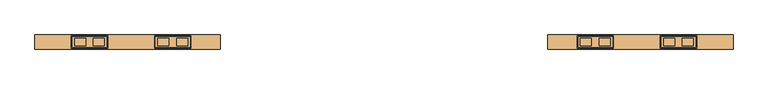
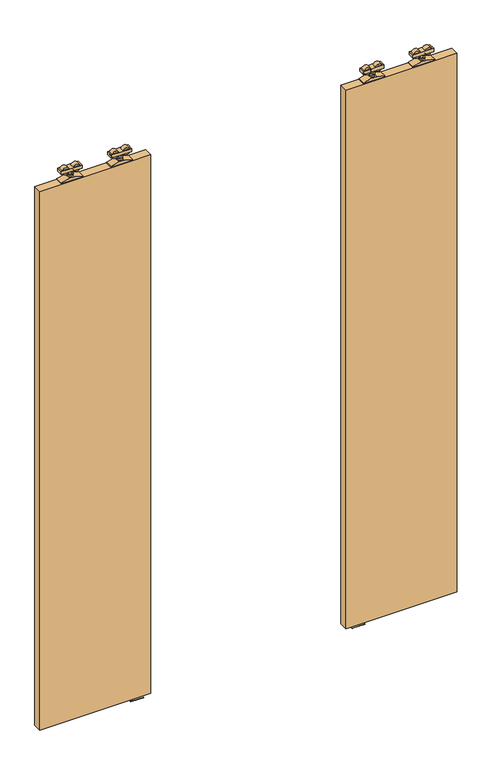
"""IFC4 building model written with IfcOpenShell, lengths in millimetres: door geometry."""

from ifc_helpers import new_model, si_unit, point, frame, frame_2d, origin, place, context, project, spatial, polyline, circle_curve, trimmed, segment, composite_curve, outline, extrude, source, transform, mapped, element, save
from ifc_brep_helpers import plane_surface, cylinder_surface, advanced_brep


def door_14443164(model_context):
    return source(origin(), model_context, "Body", "SolidModel", [
        advanced_brep(
        [(-347.0, 14.2574263, 2689.3), (-347.0, -14.7425737, 2689.3), (-252.0, -14.7425737, 2689.3), (-252.0, 14.2574263, 2689.3), (-289.072332, -10.9457536, 2689.3), (-289.072332, 10.4606061, 2689.3), (-258.78306, 10.4606061, 2689.3), (-258.78306, -10.9457536, 2689.3), (-340.21694, -10.9457536, 2689.3), (-340.21694, 10.4606061, 2689.3), (-309.927668, 10.4606061, 2689.3), (-309.927668, -10.9457536, 2689.3), (-347.0, 14.2574263, 2674.3), (-252.0, 14.2574263, 2674.3), (-252.0, -14.7425737, 2674.3), (-347.0, -14.7425737, 2674.3), (-258.78306, -10.9457536, 2674.3), (-258.78306, 10.4606061, 2674.3), (-289.072332, 10.4606061, 2674.3), (-289.072332, -10.9457536, 2674.3), (-309.927668, -10.9457536, 2674.3), (-309.927668, 10.4606061, 2674.3), (-340.21694, 10.4606061, 2674.3), (-340.21694, -10.9457536, 2674.3), (-294.55, -0.5, 2674.3), (-304.45, -0.5, 2674.3), (-294.55, -0.5, 2655.8), (-304.45, -0.5, 2655.8)],
        [
            (0, 1),
            (1, 2),
            (2, 3),
            (3, 0),
            (4, 5),
            (5, 6),
            (6, 7),
            (7, 4),
            (8, 9),
            (9, 10),
            (10, 11),
            (11, 8),
            (12, 13),
            (13, 14),
            (14, 15),
            (15, 12),
            (16, 17),
            (17, 18),
            (18, 19),
            (19, 16),
            (20, 21),
            (21, 22),
            (22, 23),
            (23, 20),
            (24, 25, circle_curve(frame((-299.5, -0.5, 2674.3), z_axis=(0.0, 0.0, 1.0), x_axis=(-1.0, 0.0, 0.0)), 4.95)),
            (25, 24, circle_curve(frame((-299.5, -0.5, 2674.3), z_axis=(0.0, 0.0, 1.0), x_axis=(-1.0, 0.0, 0.0)), 4.95)),
            (3, 13),
            (12, 0),
            (2, 14),
            (1, 15),
            (7, 4, circle_curve(frame((-273.927696, -10.9457536, 2681.8), z_axis=(0.0, -1.0, 0.0), x_axis=(-1.0, 0.0, 0.0)), 16.9)),
            (19, 16, circle_curve(frame((-273.927696, -10.9457536, 2681.8), z_axis=(0.0, -1.0, 0.0), x_axis=(-1.0, 0.0, 0.0)), 16.9)),
            (5, 6, circle_curve(frame((-273.927696, 10.4606061, 2681.8), z_axis=(0.0, 1.0, 0.0), x_axis=(-1.0, 0.0, 0.0)), 16.9)),
            (17, 18, circle_curve(frame((-273.927696, 10.4606061, 2681.8), z_axis=(0.0, 1.0, 0.0), x_axis=(-1.0, 0.0, 0.0)), 16.9)),
            (11, 8, circle_curve(frame((-325.072304, -10.9457536, 2681.8), z_axis=(0.0, -1.0, 0.0), x_axis=(1.0, 0.0, 0.0)), 16.9)),
            (23, 20, circle_curve(frame((-325.072304, -10.9457536, 2681.8), z_axis=(0.0, -1.0, 0.0), x_axis=(1.0, 0.0, 0.0)), 16.9)),
            (9, 10, circle_curve(frame((-325.072304, 10.4606061, 2681.8), z_axis=(0.0, 1.0, 0.0), x_axis=(1.0, 0.0, 0.0)), 16.9)),
            (21, 22, circle_curve(frame((-325.072304, 10.4606061, 2681.8), z_axis=(0.0, 1.0, 0.0), x_axis=(1.0, 0.0, 0.0)), 16.9)),
            (26, 27, circle_curve(frame((-299.5, -0.5, 2655.8), z_axis=(0.0, 0.0, -1.0), x_axis=(-1.0, 0.0, 0.0)), 4.95)),
            (27, 26, circle_curve(frame((-299.5, -0.5, 2655.8), z_axis=(0.0, 0.0, -1.0), x_axis=(-1.0, 0.0, 0.0)), 4.95)),
            (26, 24),
            (25, 27),
        ],
        [
            plane_surface(frame((-252.0, 14.2574263, 2689.3), z_axis=(0.0, 0.0, 1.0), x_axis=(1.0, 0.0, 0.0))),
            plane_surface(frame((-252.0, 14.2574263, 2674.3), z_axis=(0.0, 0.0, -1.0), x_axis=(-1.0, 0.0, 0.0))),
            plane_surface(frame((-347.0, 14.2574263, 2689.3), z_axis=(0.0, 1.0, 0.0), x_axis=(0.0, 0.0, -1.0))),
            plane_surface(frame((-252.0, 14.2574263, 2689.3), z_axis=(1.0, 0.0, 0.0), x_axis=(0.0, 0.0, -1.0))),
            plane_surface(frame((-252.0, -14.7425737, 2689.3), z_axis=(0.0, -1.0, 0.0), x_axis=(0.0, 0.0, -1.0))),
            plane_surface(frame((-347.0, -14.7425737, 2689.3), z_axis=(-1.0, 0.0, 0.0), x_axis=(0.0, 0.0, -1.0))),
            plane_surface(frame((-290.827696, -10.9457536, 2681.8), z_axis=(0.0, -1.0, 0.0), x_axis=(0.0, 0.0, 1.0))),
            plane_surface(frame((-290.827696, 10.4606061, 2681.8), z_axis=(0.0, 1.0, 0.0), x_axis=(0.0, 0.0, -1.0))),
            cylinder_surface(frame((-273.927696, 10.4606061, 2681.8), z_axis=(0.0, -1.0, 0.0), x_axis=(-1.0, 0.0, 0.0)), 16.9),
            plane_surface(frame((-308.172304, -10.9457536, 2681.8), z_axis=(0.0, -1.0, 0.0), x_axis=(0.0, 0.0, -1.0))),
            plane_surface(frame((-308.172304, 10.4606061, 2681.8), z_axis=(0.0, 1.0, 0.0), x_axis=(0.0, 0.0, 1.0))),
            cylinder_surface(frame((-325.072304, 10.4606061, 2681.8), z_axis=(0.0, -1.0, 0.0), x_axis=(1.0, 0.0, 0.0)), 16.9),
            plane_surface(frame((-304.45, -0.5, 2655.8), z_axis=(0.0, 0.0, -1.0), x_axis=(0.0, -1.0, 0.0))),
            cylinder_surface(frame((-299.5, -0.5, 2655.8), z_axis=(0.0, 0.0, 1.0), x_axis=(-1.0, 0.0, 0.0)), 4.95),
        ],
        [
            (0, [[1, 2, 3, 4], [5, 6, 7, 8], [9, 10, 11, 12]]),
            (1, [[13, 14, 15, 16], [17, 18, 19, 20], [21, 22, 23, 24], [25, 26]]),
            (2, [[27, -13, 28, -4]]),
            (3, [[29, -14, -27, -3]]),
            (4, [[30, -15, -29, -2]]),
            (5, [[-28, -16, -30, -1]]),
            (6, [[-8, 31]]),
            (6, [[-20, 32]]),
            (7, [[-6, 33]]),
            (7, [[-18, 34]]),
            (8, [[-19, -34, -17, -32]]),
            (8, [[-7, -33, -5, -31]]),
            (9, [[-12, 35]]),
            (9, [[-24, 36]]),
            (10, [[-10, 37]]),
            (10, [[-22, 38]]),
            (11, [[-23, -38, -21, -36]]),
            (11, [[-11, -37, -9, -35]]),
            (12, [[39, 40]]),
            (13, [[41, -26, 42, -39]]),
            (13, [[-42, -25, -41, -40]]),
        ],
    ),
        extrude(outline(composite_curve([segment(trimmed(circle_curve(frame_2d((-299.5000356, -0.1875)), 12.254021), [point((-287.2460147, -0.1875))], [point((-311.7540566, -0.1875))], False, "CARTESIAN"), True, "CONTINUOUS"), segment(trimmed(circle_curve(frame_2d((-299.5000356, -0.1875)), 12.254021), [point((-311.7540566, -0.1875))], [point((-287.2460147, -0.1875))], False, "CARTESIAN"), True, "CONTINUOUS")], self_intersect=False)), frame((0.0, 0.0, 2647.0), z_axis=(0.0, 0.0, 1.0), x_axis=(1.0, 0.0, 0.0)), (0.0, 0.0, 1.0), 8.8),
        extrude(outline(polyline([(2633.0, -349.5), (2633.0, -249.5), (2636.8, -249.5), (2647.0, -287.25), (2647.0, -311.75), (2636.8, -349.5), (2633.0, -349.5)])), frame((0.0, -17.7425737, 0.0), z_axis=(0.0, 1.0, 0.0), x_axis=(0.0, 0.0, 1.0)), (0.0, 0.0, 1.0), 35.0),
        advanced_brep(
        [(-1414.0, 14.2574263, 2689.3), (-1509.0, 14.2574263, 2689.3), (-1509.0, -14.7425737, 2689.3), (-1414.0, -14.7425737, 2689.3), (-1471.927668, -10.9457536, 2689.3), (-1502.21694, -10.9457536, 2689.3), (-1502.21694, 10.4606061, 2689.3), (-1471.927668, 10.4606061, 2689.3), (-1420.78306, -10.9457536, 2689.3), (-1451.072332, -10.9457536, 2689.3), (-1451.072332, 10.4606061, 2689.3), (-1420.78306, 10.4606061, 2689.3), (-1414.0, 14.2574263, 2674.3), (-1414.0, -14.7425737, 2674.3), (-1509.0, -14.7425737, 2674.3), (-1509.0, 14.2574263, 2674.3), (-1502.21694, -10.9457536, 2674.3), (-1471.927668, -10.9457536, 2674.3), (-1471.927668, 10.4606061, 2674.3), (-1502.21694, 10.4606061, 2674.3), (-1451.072332, -10.9457536, 2674.3), (-1420.78306, -10.9457536, 2674.3), (-1420.78306, 10.4606061, 2674.3), (-1451.072332, 10.4606061, 2674.3), (-1466.45, -0.5, 2674.3), (-1456.55, -0.5, 2674.3), (-1466.45, -0.5, 2655.8), (-1456.55, -0.5, 2655.8)],
        [
            (0, 1),
            (1, 2),
            (2, 3),
            (3, 0),
            (4, 5),
            (5, 6),
            (6, 7),
            (7, 4),
            (8, 9),
            (9, 10),
            (10, 11),
            (11, 8),
            (12, 13),
            (13, 14),
            (14, 15),
            (15, 12),
            (16, 17),
            (17, 18),
            (18, 19),
            (19, 16),
            (20, 21),
            (21, 22),
            (22, 23),
            (23, 20),
            (24, 25, circle_curve(frame((-1461.5, -0.5, 2674.3), z_axis=(0.0, 0.0, 1.0), x_axis=(1.0, 0.0, 0.0)), 4.95)),
            (25, 24, circle_curve(frame((-1461.5, -0.5, 2674.3), z_axis=(0.0, 0.0, 1.0), x_axis=(1.0, 0.0, 0.0)), 4.95)),
            (0, 12),
            (15, 1),
            (14, 2),
            (13, 3),
            (16, 17, circle_curve(frame((-1487.072304, -10.9457536, 2681.8), z_axis=(0.0, -1.0, 0.0), x_axis=(1.0, 0.0, 0.0)), 16.9)),
            (4, 5, circle_curve(frame((-1487.072304, -10.9457536, 2681.8), z_axis=(0.0, -1.0, 0.0), x_axis=(1.0, 0.0, 0.0)), 16.9)),
            (6, 7, circle_curve(frame((-1487.072304, 10.4606061, 2681.8), z_axis=(0.0, 1.0, 0.0), x_axis=(1.0, 0.0, 0.0)), 16.9)),
            (18, 19, circle_curve(frame((-1487.072304, 10.4606061, 2681.8), z_axis=(0.0, 1.0, 0.0), x_axis=(1.0, 0.0, 0.0)), 16.9)),
            (8, 9, circle_curve(frame((-1435.927696, -10.9457536, 2681.8), z_axis=(0.0, -1.0, 0.0), x_axis=(-1.0, 0.0, 0.0)), 16.9)),
            (20, 21, circle_curve(frame((-1435.927696, -10.9457536, 2681.8), z_axis=(0.0, -1.0, 0.0), x_axis=(-1.0, 0.0, 0.0)), 16.9)),
            (22, 23, circle_curve(frame((-1435.927696, 10.4606061, 2681.8), z_axis=(0.0, 1.0, 0.0), x_axis=(-1.0, 0.0, 0.0)), 16.9)),
            (10, 11, circle_curve(frame((-1435.927696, 10.4606061, 2681.8), z_axis=(0.0, 1.0, 0.0), x_axis=(-1.0, 0.0, 0.0)), 16.9)),
            (26, 27, circle_curve(frame((-1461.5, -0.5, 2655.8), z_axis=(0.0, 0.0, -1.0), x_axis=(1.0, 0.0, 0.0)), 4.95)),
            (27, 26, circle_curve(frame((-1461.5, -0.5, 2655.8), z_axis=(0.0, 0.0, -1.0), x_axis=(1.0, 0.0, 0.0)), 4.95)),
            (27, 25),
            (24, 26),
        ],
        [
            plane_surface(frame((-1509.0, 14.2574263, 2689.3), z_axis=(0.0, 0.0, 1.0), x_axis=(-1.0, 0.0, 0.0))),
            plane_surface(frame((-1509.0, 14.2574263, 2674.3), z_axis=(0.0, 0.0, -1.0), x_axis=(1.0, 0.0, 0.0))),
            plane_surface(frame((-1414.0, 14.2574263, 2689.3), z_axis=(0.0, 1.0, 0.0), x_axis=(0.0, 0.0, -1.0))),
            plane_surface(frame((-1509.0, 14.2574263, 2689.3), z_axis=(-1.0, 0.0, 0.0), x_axis=(0.0, 0.0, -1.0))),
            plane_surface(frame((-1509.0, -14.7425737, 2689.3), z_axis=(0.0, -1.0, 0.0), x_axis=(0.0, 0.0, -1.0))),
            plane_surface(frame((-1414.0, -14.7425737, 2689.3), z_axis=(1.0, 0.0, 0.0), x_axis=(0.0, 0.0, -1.0))),
            plane_surface(frame((-1470.172304, -10.9457536, 2681.8), z_axis=(0.0, -1.0, 0.0), x_axis=(0.0, 0.0, 1.0))),
            plane_surface(frame((-1470.172304, 10.4606061, 2681.8), z_axis=(0.0, 1.0, 0.0), x_axis=(0.0, 0.0, -1.0))),
            cylinder_surface(frame((-1487.072304, 10.4606061, 2681.8), z_axis=(0.0, -1.0, 0.0), x_axis=(1.0, 0.0, 0.0)), 16.9),
            plane_surface(frame((-1452.827696, -10.9457536, 2681.8), z_axis=(0.0, -1.0, 0.0), x_axis=(0.0, 0.0, -1.0))),
            plane_surface(frame((-1452.827696, 10.4606061, 2681.8), z_axis=(0.0, 1.0, 0.0), x_axis=(0.0, 0.0, 1.0))),
            cylinder_surface(frame((-1435.927696, 10.4606061, 2681.8), z_axis=(0.0, -1.0, 0.0), x_axis=(-1.0, 0.0, 0.0)), 16.9),
            plane_surface(frame((-1456.55, -0.5, 2655.8), z_axis=(0.0, 0.0, -1.0), x_axis=(0.0, -1.0, 0.0))),
            cylinder_surface(frame((-1461.5, -0.5, 2655.8), z_axis=(0.0, 0.0, 1.0), x_axis=(1.0, 0.0, 0.0)), 4.95),
        ],
        [
            (0, [[1, 2, 3, 4], [5, 6, 7, 8], [9, 10, 11, 12]]),
            (1, [[13, 14, 15, 16], [17, 18, 19, 20], [21, 22, 23, 24], [25, 26]]),
            (2, [[-1, 27, -16, 28]]),
            (3, [[-2, -28, -15, 29]]),
            (4, [[-3, -29, -14, 30]]),
            (5, [[-4, -30, -13, -27]]),
            (6, [[31, -17]]),
            (6, [[32, -5]]),
            (7, [[33, -7]]),
            (7, [[34, -19]]),
            (8, [[-31, -20, -34, -18]]),
            (8, [[-32, -8, -33, -6]]),
            (9, [[35, -9]]),
            (9, [[36, -21]]),
            (10, [[37, -23]]),
            (10, [[38, -11]]),
            (11, [[-36, -24, -37, -22]]),
            (11, [[-35, -12, -38, -10]]),
            (12, [[39, 40]]),
            (13, [[-40, 41, -25, 42]]),
            (13, [[-39, -42, -26, -41]]),
        ],
    ),
        extrude(outline(composite_curve([segment(trimmed(circle_curve(frame_2d((-1461.4999644, -0.1875)), 12.254021), [point((-1473.7539853, -0.1875))], [point((-1449.2459434, -0.1875))], False, "CARTESIAN"), True, "CONTINUOUS"), segment(trimmed(circle_curve(frame_2d((-1461.4999644, -0.1875)), 12.254021), [point((-1449.2459434, -0.1875))], [point((-1473.7539853, -0.1875))], False, "CARTESIAN"), True, "CONTINUOUS")], self_intersect=False)), frame((0.0, 0.0, 2647.0), z_axis=(0.0, 0.0, 1.0), x_axis=(1.0, 0.0, 0.0)), (0.0, 0.0, 1.0), 8.8),
        extrude(outline(polyline([(2633.0, -1411.5), (2636.8, -1411.5), (2647.0, -1449.25), (2647.0, -1473.75), (2636.8, -1511.5), (2633.0, -1511.5), (2633.0, -1411.5)])), frame((0.0, -17.7425737, 0.0), z_axis=(0.0, 1.0, 0.0), x_axis=(0.0, 0.0, 1.0)), (0.0, 0.0, 1.0), 35.0),
        advanced_brep(
        [(-118.0, 14.2574263, 2689.3), (-118.0, -14.7425737, 2689.3), (-23.0, -14.7425737, 2689.3), (-23.0, 14.2574263, 2689.3), (-60.072332, -10.9457536, 2689.3), (-60.072332, 10.4606061, 2689.3), (-29.78306, 10.4606061, 2689.3), (-29.78306, -10.9457536, 2689.3), (-111.21694, -10.9457536, 2689.3), (-111.21694, 10.4606061, 2689.3), (-80.927668, 10.4606061, 2689.3), (-80.927668, -10.9457536, 2689.3), (-118.0, 14.2574263, 2674.3), (-23.0, 14.2574263, 2674.3), (-23.0, -14.7425737, 2674.3), (-118.0, -14.7425737, 2674.3), (-29.78306, -10.9457536, 2674.3), (-29.78306, 10.4606061, 2674.3), (-60.072332, 10.4606061, 2674.3), (-60.072332, -10.9457536, 2674.3), (-80.927668, -10.9457536, 2674.3), (-80.927668, 10.4606061, 2674.3), (-111.21694, 10.4606061, 2674.3), (-111.21694, -10.9457536, 2674.3), (-65.55, -0.5, 2674.3), (-75.45, -0.5, 2674.3), (-65.55, -0.5, 2655.8), (-75.45, -0.5, 2655.8)],
        [
            (0, 1),
            (1, 2),
            (2, 3),
            (3, 0),
            (4, 5),
            (5, 6),
            (6, 7),
            (7, 4),
            (8, 9),
            (9, 10),
            (10, 11),
            (11, 8),
            (12, 13),
            (13, 14),
            (14, 15),
            (15, 12),
            (16, 17),
            (17, 18),
            (18, 19),
            (19, 16),
            (20, 21),
            (21, 22),
            (22, 23),
            (23, 20),
            (24, 25, circle_curve(frame((-70.5, -0.5, 2674.3), z_axis=(0.0, 0.0, 1.0), x_axis=(-1.0, 0.0, 0.0)), 4.95)),
            (25, 24, circle_curve(frame((-70.5, -0.5, 2674.3), z_axis=(0.0, 0.0, 1.0), x_axis=(-1.0, 0.0, 0.0)), 4.95)),
            (3, 13),
            (12, 0),
            (2, 14),
            (1, 15),
            (7, 4, circle_curve(frame((-44.927696, -10.9457536, 2681.8), z_axis=(0.0, -1.0, 0.0), x_axis=(-1.0, 0.0, 0.0)), 16.9)),
            (19, 16, circle_curve(frame((-44.927696, -10.9457536, 2681.8), z_axis=(0.0, -1.0, 0.0), x_axis=(-1.0, 0.0, 0.0)), 16.9)),
            (5, 6, circle_curve(frame((-44.927696, 10.4606061, 2681.8), z_axis=(0.0, 1.0, 0.0), x_axis=(-1.0, 0.0, 0.0)), 16.9)),
            (17, 18, circle_curve(frame((-44.927696, 10.4606061, 2681.8), z_axis=(0.0, 1.0, 0.0), x_axis=(-1.0, 0.0, 0.0)), 16.9)),
            (11, 8, circle_curve(frame((-96.072304, -10.9457536, 2681.8), z_axis=(0.0, -1.0, 0.0), x_axis=(1.0, 0.0, 0.0)), 16.9)),
            (23, 20, circle_curve(frame((-96.072304, -10.9457536, 2681.8), z_axis=(0.0, -1.0, 0.0), x_axis=(1.0, 0.0, 0.0)), 16.9)),
            (9, 10, circle_curve(frame((-96.072304, 10.4606061, 2681.8), z_axis=(0.0, 1.0, 0.0), x_axis=(1.0, 0.0, 0.0)), 16.9)),
            (21, 22, circle_curve(frame((-96.072304, 10.4606061, 2681.8), z_axis=(0.0, 1.0, 0.0), x_axis=(1.0, 0.0, 0.0)), 16.9)),
            (26, 27, circle_curve(frame((-70.5, -0.5, 2655.8), z_axis=(0.0, 0.0, -1.0), x_axis=(-1.0, 0.0, 0.0)), 4.95)),
            (27, 26, circle_curve(frame((-70.5, -0.5, 2655.8), z_axis=(0.0, 0.0, -1.0), x_axis=(-1.0, 0.0, 0.0)), 4.95)),
            (26, 24),
            (25, 27),
        ],
        [
            plane_surface(frame((-23.0, 14.2574263, 2689.3), z_axis=(0.0, 0.0, 1.0), x_axis=(1.0, 0.0, 0.0))),
            plane_surface(frame((-23.0, 14.2574263, 2674.3), z_axis=(0.0, 0.0, -1.0), x_axis=(-1.0, 0.0, 0.0))),
            plane_surface(frame((-118.0, 14.2574263, 2689.3), z_axis=(0.0, 1.0, 0.0), x_axis=(0.0, 0.0, -1.0))),
            plane_surface(frame((-23.0, 14.2574263, 2689.3), z_axis=(1.0, 0.0, 0.0), x_axis=(0.0, 0.0, -1.0))),
            plane_surface(frame((-23.0, -14.7425737, 2689.3), z_axis=(0.0, -1.0, 0.0), x_axis=(0.0, 0.0, -1.0))),
            plane_surface(frame((-118.0, -14.7425737, 2689.3), z_axis=(-1.0, 0.0, 0.0), x_axis=(0.0, 0.0, -1.0))),
            plane_surface(frame((-61.827696, -10.9457536, 2681.8), z_axis=(0.0, -1.0, 0.0), x_axis=(0.0, 0.0, 1.0))),
            plane_surface(frame((-61.827696, 10.4606061, 2681.8), z_axis=(0.0, 1.0, 0.0), x_axis=(0.0, 0.0, -1.0))),
            cylinder_surface(frame((-44.927696, 10.4606061, 2681.8), z_axis=(0.0, -1.0, 0.0), x_axis=(-1.0, 0.0, 0.0)), 16.9),
            plane_surface(frame((-79.172304, -10.9457536, 2681.8), z_axis=(0.0, -1.0, 0.0), x_axis=(0.0, 0.0, -1.0))),
            plane_surface(frame((-79.172304, 10.4606061, 2681.8), z_axis=(0.0, 1.0, 0.0), x_axis=(0.0, 0.0, 1.0))),
            cylinder_surface(frame((-96.072304, 10.4606061, 2681.8), z_axis=(0.0, -1.0, 0.0), x_axis=(1.0, 0.0, 0.0)), 16.9),
            plane_surface(frame((-75.45, -0.5, 2655.8), z_axis=(0.0, 0.0, -1.0), x_axis=(0.0, -1.0, 0.0))),
            cylinder_surface(frame((-70.5, -0.5, 2655.8), z_axis=(0.0, 0.0, 1.0), x_axis=(-1.0, 0.0, 0.0)), 4.95),
        ],
        [
            (0, [[1, 2, 3, 4], [5, 6, 7, 8], [9, 10, 11, 12]]),
            (1, [[13, 14, 15, 16], [17, 18, 19, 20], [21, 22, 23, 24], [25, 26]]),
            (2, [[27, -13, 28, -4]]),
            (3, [[29, -14, -27, -3]]),
            (4, [[30, -15, -29, -2]]),
            (5, [[-28, -16, -30, -1]]),
            (6, [[-8, 31]]),
            (6, [[-20, 32]]),
            (7, [[-6, 33]]),
            (7, [[-18, 34]]),
            (8, [[-19, -34, -17, -32]]),
            (8, [[-7, -33, -5, -31]]),
            (9, [[-12, 35]]),
            (9, [[-24, 36]]),
            (10, [[-10, 37]]),
            (10, [[-22, 38]]),
            (11, [[-23, -38, -21, -36]]),
            (11, [[-11, -37, -9, -35]]),
            (12, [[39, 40]]),
            (13, [[41, -26, 42, -39]]),
            (13, [[-42, -25, -41, -40]]),
        ],
    ),
        extrude(outline(composite_curve([segment(trimmed(circle_curve(frame_2d((-70.5000356, -0.1875)), 12.254021), [point((-58.2460147, -0.1875))], [point((-82.7540566, -0.1875))], False, "CARTESIAN"), True, "CONTINUOUS"), segment(trimmed(circle_curve(frame_2d((-70.5000356, -0.1875)), 12.254021), [point((-82.7540566, -0.1875))], [point((-58.2460147, -0.1875))], False, "CARTESIAN"), True, "CONTINUOUS")], self_intersect=False)), frame((0.0, 0.0, 2647.0), z_axis=(0.0, 0.0, 1.0), x_axis=(1.0, 0.0, 0.0)), (0.0, 0.0, 1.0), 8.8),
        extrude(outline(polyline([(2633.0, -120.5), (2633.0, -20.5), (2636.8, -20.5), (2647.0, -58.25), (2647.0, -82.75), (2636.8, -120.5), (2633.0, -120.5)])), frame((0.0, -17.7425737, 0.0), z_axis=(0.0, 1.0, 0.0), x_axis=(0.0, 0.0, 1.0)), (0.0, 0.0, 1.0), 35.0),
        advanced_brep(
        [(-1643.0, 14.2574263, 2689.3), (-1738.0, 14.2574263, 2689.3), (-1738.0, -14.7425737, 2689.3), (-1643.0, -14.7425737, 2689.3), (-1700.927668, -10.9457536, 2689.3), (-1731.21694, -10.9457536, 2689.3), (-1731.21694, 10.4606061, 2689.3), (-1700.927668, 10.4606061, 2689.3), (-1649.78306, -10.9457536, 2689.3), (-1680.072332, -10.9457536, 2689.3), (-1680.072332, 10.4606061, 2689.3), (-1649.78306, 10.4606061, 2689.3), (-1643.0, 14.2574263, 2674.3), (-1643.0, -14.7425737, 2674.3), (-1738.0, -14.7425737, 2674.3), (-1738.0, 14.2574263, 2674.3), (-1731.21694, -10.9457536, 2674.3), (-1700.927668, -10.9457536, 2674.3), (-1700.927668, 10.4606061, 2674.3), (-1731.21694, 10.4606061, 2674.3), (-1680.072332, -10.9457536, 2674.3), (-1649.78306, -10.9457536, 2674.3), (-1649.78306, 10.4606061, 2674.3), (-1680.072332, 10.4606061, 2674.3), (-1695.45, -0.5, 2674.3), (-1685.55, -0.5, 2674.3), (-1695.45, -0.5, 2655.8), (-1685.55, -0.5, 2655.8)],
        [
            (0, 1),
            (1, 2),
            (2, 3),
            (3, 0),
            (4, 5),
            (5, 6),
            (6, 7),
            (7, 4),
            (8, 9),
            (9, 10),
            (10, 11),
            (11, 8),
            (12, 13),
            (13, 14),
            (14, 15),
            (15, 12),
            (16, 17),
            (17, 18),
            (18, 19),
            (19, 16),
            (20, 21),
            (21, 22),
            (22, 23),
            (23, 20),
            (24, 25, circle_curve(frame((-1690.5, -0.5, 2674.3), z_axis=(0.0, 0.0, 1.0), x_axis=(1.0, 0.0, 0.0)), 4.95)),
            (25, 24, circle_curve(frame((-1690.5, -0.5, 2674.3), z_axis=(0.0, 0.0, 1.0), x_axis=(1.0, 0.0, 0.0)), 4.95)),
            (0, 12),
            (15, 1),
            (14, 2),
            (13, 3),
            (16, 17, circle_curve(frame((-1716.072304, -10.9457536, 2681.8), z_axis=(0.0, -1.0, 0.0), x_axis=(1.0, 0.0, 0.0)), 16.9)),
            (4, 5, circle_curve(frame((-1716.072304, -10.9457536, 2681.8), z_axis=(0.0, -1.0, 0.0), x_axis=(1.0, 0.0, 0.0)), 16.9)),
            (6, 7, circle_curve(frame((-1716.072304, 10.4606061, 2681.8), z_axis=(0.0, 1.0, 0.0), x_axis=(1.0, 0.0, 0.0)), 16.9)),
            (18, 19, circle_curve(frame((-1716.072304, 10.4606061, 2681.8), z_axis=(0.0, 1.0, 0.0), x_axis=(1.0, 0.0, 0.0)), 16.9)),
            (8, 9, circle_curve(frame((-1664.927696, -10.9457536, 2681.8), z_axis=(0.0, -1.0, 0.0), x_axis=(-1.0, 0.0, 0.0)), 16.9)),
            (20, 21, circle_curve(frame((-1664.927696, -10.9457536, 2681.8), z_axis=(0.0, -1.0, 0.0), x_axis=(-1.0, 0.0, 0.0)), 16.9)),
            (22, 23, circle_curve(frame((-1664.927696, 10.4606061, 2681.8), z_axis=(0.0, 1.0, 0.0), x_axis=(-1.0, 0.0, 0.0)), 16.9)),
            (10, 11, circle_curve(frame((-1664.927696, 10.4606061, 2681.8), z_axis=(0.0, 1.0, 0.0), x_axis=(-1.0, 0.0, 0.0)), 16.9)),
            (26, 27, circle_curve(frame((-1690.5, -0.5, 2655.8), z_axis=(0.0, 0.0, -1.0), x_axis=(1.0, 0.0, 0.0)), 4.95)),
            (27, 26, circle_curve(frame((-1690.5, -0.5, 2655.8), z_axis=(0.0, 0.0, -1.0), x_axis=(1.0, 0.0, 0.0)), 4.95)),
            (27, 25),
            (24, 26),
        ],
        [
            plane_surface(frame((-1738.0, 14.2574263, 2689.3), z_axis=(0.0, 0.0, 1.0), x_axis=(-1.0, 0.0, 0.0))),
            plane_surface(frame((-1738.0, 14.2574263, 2674.3), z_axis=(0.0, 0.0, -1.0), x_axis=(1.0, 0.0, 0.0))),
            plane_surface(frame((-1643.0, 14.2574263, 2689.3), z_axis=(0.0, 1.0, 0.0), x_axis=(0.0, 0.0, -1.0))),
            plane_surface(frame((-1738.0, 14.2574263, 2689.3), z_axis=(-1.0, 0.0, 0.0), x_axis=(0.0, 0.0, -1.0))),
            plane_surface(frame((-1738.0, -14.7425737, 2689.3), z_axis=(0.0, -1.0, 0.0), x_axis=(0.0, 0.0, -1.0))),
            plane_surface(frame((-1643.0, -14.7425737, 2689.3), z_axis=(1.0, 0.0, 0.0), x_axis=(0.0, 0.0, -1.0))),
            plane_surface(frame((-1699.172304, -10.9457536, 2681.8), z_axis=(0.0, -1.0, 0.0), x_axis=(0.0, 0.0, 1.0))),
            plane_surface(frame((-1699.172304, 10.4606061, 2681.8), z_axis=(0.0, 1.0, 0.0), x_axis=(0.0, 0.0, -1.0))),
            cylinder_surface(frame((-1716.072304, 10.4606061, 2681.8), z_axis=(0.0, -1.0, 0.0), x_axis=(1.0, 0.0, 0.0)), 16.9),
            plane_surface(frame((-1681.827696, -10.9457536, 2681.8), z_axis=(0.0, -1.0, 0.0), x_axis=(0.0, 0.0, -1.0))),
            plane_surface(frame((-1681.827696, 10.4606061, 2681.8), z_axis=(0.0, 1.0, 0.0), x_axis=(0.0, 0.0, 1.0))),
            cylinder_surface(frame((-1664.927696, 10.4606061, 2681.8), z_axis=(0.0, -1.0, 0.0), x_axis=(-1.0, 0.0, 0.0)), 16.9),
            plane_surface(frame((-1685.55, -0.5, 2655.8), z_axis=(0.0, 0.0, -1.0), x_axis=(0.0, -1.0, 0.0))),
            cylinder_surface(frame((-1690.5, -0.5, 2655.8), z_axis=(0.0, 0.0, 1.0), x_axis=(1.0, 0.0, 0.0)), 4.95),
        ],
        [
            (0, [[1, 2, 3, 4], [5, 6, 7, 8], [9, 10, 11, 12]]),
            (1, [[13, 14, 15, 16], [17, 18, 19, 20], [21, 22, 23, 24], [25, 26]]),
            (2, [[-1, 27, -16, 28]]),
            (3, [[-2, -28, -15, 29]]),
            (4, [[-3, -29, -14, 30]]),
            (5, [[-4, -30, -13, -27]]),
            (6, [[31, -17]]),
            (6, [[32, -5]]),
            (7, [[33, -7]]),
            (7, [[34, -19]]),
            (8, [[-31, -20, -34, -18]]),
            (8, [[-32, -8, -33, -6]]),
            (9, [[35, -9]]),
            (9, [[36, -21]]),
            (10, [[37, -23]]),
            (10, [[38, -11]]),
            (11, [[-36, -24, -37, -22]]),
            (11, [[-35, -12, -38, -10]]),
            (12, [[39, 40]]),
            (13, [[-40, 41, -25, 42]]),
            (13, [[-39, -42, -26, -41]]),
        ],
    ),
        extrude(outline(composite_curve([segment(trimmed(circle_curve(frame_2d((-1690.4999644, -0.1875)), 12.254021), [point((-1702.7539853, -0.1875))], [point((-1678.2459434, -0.1875))], False, "CARTESIAN"), True, "CONTINUOUS"), segment(trimmed(circle_curve(frame_2d((-1690.4999644, -0.1875)), 12.254021), [point((-1678.2459434, -0.1875))], [point((-1702.7539853, -0.1875))], False, "CARTESIAN"), True, "CONTINUOUS")], self_intersect=False)), frame((0.0, 0.0, 2647.0), z_axis=(0.0, 0.0, 1.0), x_axis=(1.0, 0.0, 0.0)), (0.0, 0.0, 1.0), 8.8),
        extrude(outline(polyline([(2633.0, -1640.5), (2636.8, -1640.5), (2647.0, -1678.25), (2647.0, -1702.75), (2636.8, -1740.5), (2633.0, -1740.5), (2633.0, -1640.5)])), frame((0.0, -17.7425737, 0.0), z_axis=(0.0, 1.0, 0.0), x_axis=(0.0, 0.0, 1.0)), (0.0, 0.0, 1.0), 35.0),
        extrude(outline(polyline([(-1330.5, 19.5), (-1330.5, -20.5), (-1840.5, -20.5), (-1840.5, 19.5), (-1330.5, 19.5)])), frame((0.0, 0.0, 10.0), z_axis=(0.0, 0.0, 1.0), x_axis=(1.0, 0.0, 0.0)), (0.0, 0.0, 1.0), 2623.0),
        extrude(outline(polyline([(-430.5, 19.5), (79.5, 19.5), (79.5, -20.5), (-430.5, -20.5), (-430.5, 19.5)])), frame((0.0, 0.0, 10.0), z_axis=(0.0, 0.0, 1.0), x_axis=(1.0, 0.0, 0.0)), (0.0, 0.0, 1.0), 2623.0),
        extrude(outline(polyline([(15.6967365, 0.0), (15.6967365, -2.0), (-16.3032635, -2.0), (-16.3032635, 0.0), (-2.3032635, 0.0), (-2.3032635, 27.5), (2.0, 27.5), (2.0, 0.0), (15.6967365, 0.0)])), frame((-1420.5, 0.0, 0.0), z_axis=(1.0, 0.0, 0.0), x_axis=(0.0, 1.0, 0.0)), (0.0, 0.0, 1.0), 60.0),
        extrude(outline(polyline([(15.6967365, 0.0), (15.6967365, -2.0), (-16.3032635, -2.0), (-16.3032635, 0.0), (-2.3032635, 0.0), (-2.3032635, 27.5), (2.0, 27.5), (2.0, 0.0), (15.6967365, 0.0)])), frame((-400.5, 0.0, 0.0), z_axis=(1.0, 0.0, 0.0), x_axis=(0.0, 1.0, 0.0)), (0.0, 0.0, 1.0), 60.0),
    ])


if __name__ == "__main__":
    model = new_model("IFC4")
    model_context = context("Model", 3, world=origin())
    ifc_project = project(units=[si_unit("LENGTHUNIT", "METRE", prefix="MILLI")], contexts=[model_context])
    site = spatial("IfcSite", under=ifc_project)
    building = spatial("IfcBuilding", under=site)
    placement = place(None, origin())
    door_shape = door_14443164(model_context)
    element("IfcDoor", 1, at=placement, inside=building, context=model_context, shape_type="MappedRepresentation", body=[
        mapped(door_shape, transform((0.0, 0.0, 0.0), x_axis=(1.0, 0.0, 0.0), y_axis=(0.0, 1.0, 0.0), z_axis=(0.0, 0.0, 1.0))),
    ])
    save(model, "model.ifc")
